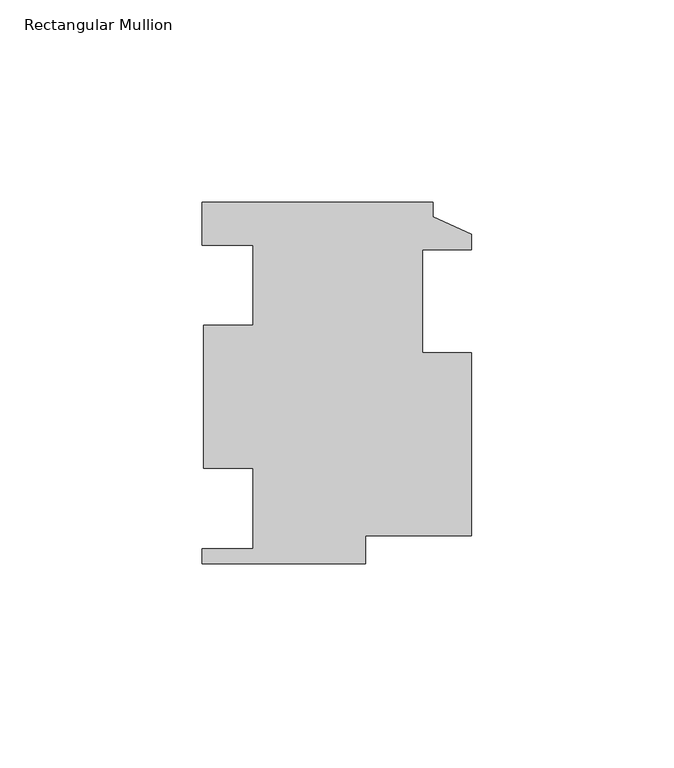
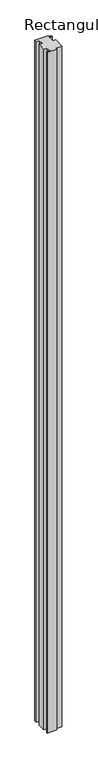
"""IFC4 building model written with IfcOpenShell, lengths in millimetres: member geometry, Rectangular Mullion."""

from ifc_helpers import new_model, si_unit, frame, origin, place, context, project, spatial, polyline, outline, extrude, source, transform, mapped, element, save


def rectangular_mullion_d6b82edf(model_context):
    return source(origin(), model_context, "Body", "SweptSolid", [
        extrude(outline(polyline([(-66.7512, -44.7294), (-66.7512, -40.9956), (-54.0512, -40.9956), (-54.0512, -21.1582), (-66.4055073, -21.1582), (-66.4055073, 14.2494), (-54.0512, 14.2494), (-54.0512, 34.0868), (-66.7512, 34.0868), (-66.7512, 44.7294), (-9.525, 44.7294), (-9.525, 41.1226), (0.0, 36.8046), (0.0, 32.893), (-12.2174, 32.893), (-12.2174, 7.493), (0.0, 7.493), (0.0, -37.8206), (-26.289, -37.8206), (-26.289, -44.7294), (-66.7512, -44.7294)])), frame((0.0, 0.0, -3048.0), z_axis=(0.0, 0.0, 1.0), x_axis=(1.0, 0.0, 0.0)), (0.0, 0.0, 1.0), 3048.0),
    ])


if __name__ == "__main__":
    model = new_model("IFC4")
    model_context = context("Model", 3, world=origin())
    ifc_project = project(units=[si_unit("LENGTHUNIT", "METRE", prefix="MILLI")], contexts=[model_context])
    site = spatial("IfcSite", under=ifc_project)
    building = spatial("IfcBuilding", under=site)
    placement = place(None, origin())
    rectangular_mullion_shape = rectangular_mullion_d6b82edf(model_context)
    element("IfcMember", 1, ObjectType="Rectangular Mullion", at=placement, inside=building, context=model_context, shape_type="MappedRepresentation", body=[
        mapped(rectangular_mullion_shape, transform((0.0, 0.0, 0.0), x_axis=(1.0, 0.0, 0.0), y_axis=(0.0, 1.0, 0.0), z_axis=(0.0, 0.0, 1.0))),
    ])
    save(model, "model.ifc")
